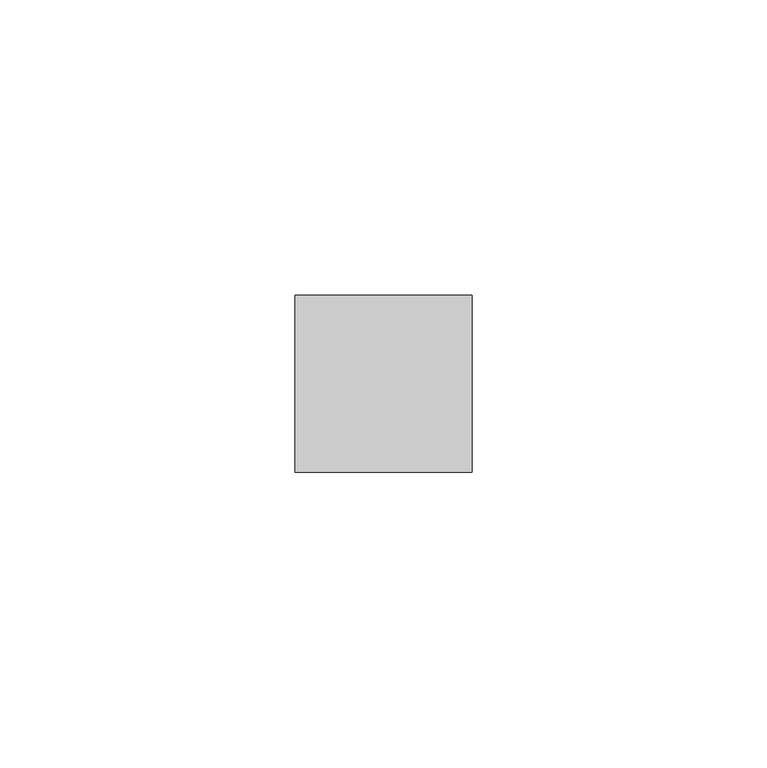
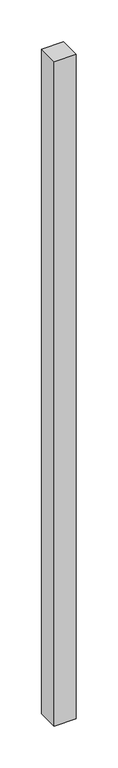
"""IFC4 building model written with IfcOpenShell, lengths in millimetres: member geometry."""

from ifc_helpers import new_model, si_unit, frame, origin, place, context, project, spatial, polyline, outline, extrude, source, transform, mapped, element, save


def member_71b1d38f(model_context):
    return source(origin(), model_context, "Body", "SweptSolid", [
        extrude(outline(polyline([(15.0, 15.0), (15.0, -15.0), (-15.0, -15.0), (-15.0, 15.0), (15.0, 15.0)])), frame((0.0, 0.0, -968.3333333), z_axis=(0.0, 0.0, 1.0), x_axis=(1.0, 0.0, 0.0)), (0.0, 0.0, 1.0), 968.3333333),
    ])


if __name__ == "__main__":
    model = new_model("IFC4")
    model_context = context("Model", 3, world=origin())
    ifc_project = project(units=[si_unit("LENGTHUNIT", "METRE", prefix="MILLI")], contexts=[model_context])
    site = spatial("IfcSite", under=ifc_project)
    building = spatial("IfcBuilding", under=site)
    placement = place(None, origin())
    member_shape = member_71b1d38f(model_context)
    element("IfcMember", 1, at=placement, inside=building, context=model_context, shape_type="MappedRepresentation", body=[
        mapped(member_shape, transform((0.0, 0.0, 0.0), x_axis=(1.0, 0.0, 0.0), y_axis=(0.0, 1.0, 0.0), z_axis=(0.0, 0.0, 1.0))),
    ])
    save(model, "model.ifc")
